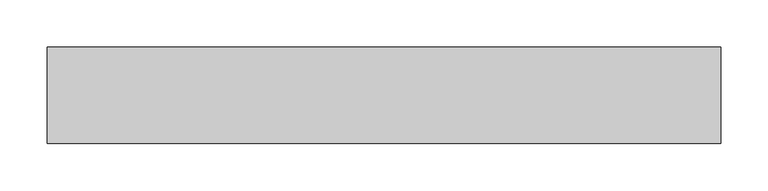
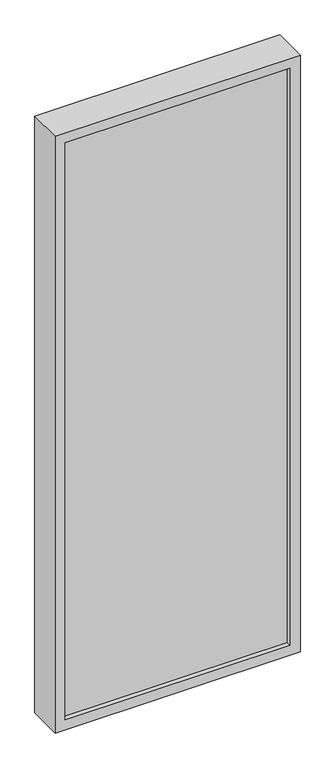
"""IFC4 building model written with IfcOpenShell, lengths in millimetres: proxy geometry."""

from ifc_helpers import new_model, si_unit, origin, place, context, project, spatial, faceted_brep, source, transform, mapped, element, save


def specialty_equipment_97f2adf7(model_context):
    return source(origin(), model_context, "Body", "Brep", [
        faceted_brep([(330.1985776, -381.0, 1828.7963424), (330.1985776, -279.4, 1828.7963424), (-381.0, -279.4, 1828.7963424), (-381.0, -381.0, 1828.7963424), (330.1985776, -381.0, 0.0), (-381.0, -381.0, 0.0), (-381.0, -279.4, 0.0), (330.1985776, -279.4, 0.0), (300.1985776, -381.0, 1798.7963424), (300.1985776, -381.0, 30.0), (-351.0, -381.0, 30.0), (-351.0, -381.0, 1798.7963424), (300.1985776, -366.0179687, 30.0), (300.1985776, -366.0179687, 1798.7963424), (-351.0, -366.0179687, 1798.7963424), (-351.0, -366.0179687, 30.0)], [[[0, 1, 2, 3]], [[4, 5, 6, 7]], [[1, 0, 4, 7]], [[2, 1, 7, 6]], [[3, 2, 6, 5]], [[0, 3, 5, 4], [8, 9, 10, 11]], [[12, 13, 14, 15]], [[13, 12, 9, 8]], [[14, 13, 8, 11]], [[15, 14, 11, 10]], [[12, 15, 10, 9]]]),
    ])


if __name__ == "__main__":
    model = new_model("IFC4")
    model_context = context("Model", 3, world=origin())
    ifc_project = project(units=[si_unit("LENGTHUNIT", "METRE", prefix="MILLI")], contexts=[model_context])
    site = spatial("IfcSite", under=ifc_project)
    building = spatial("IfcBuilding", under=site)
    placement = place(None, origin())
    specialty_equipment_shape = specialty_equipment_97f2adf7(model_context)
    element("IfcBuildingElementProxy", 1, Name="Specialty Equipment", at=placement, inside=building, context=model_context, shape_type="MappedRepresentation", body=[
        mapped(specialty_equipment_shape, transform((0.0, 0.0, 0.0), x_axis=(1.0, 0.0, 0.0), y_axis=(0.0, 1.0, 0.0), z_axis=(0.0, 0.0, 1.0))),
    ])
    save(model, "model.ifc")
